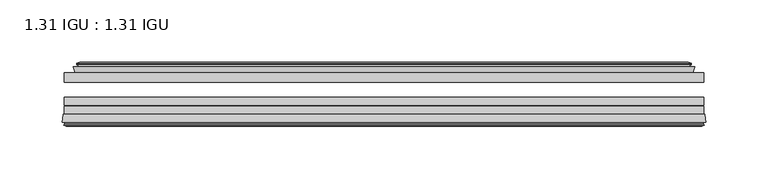
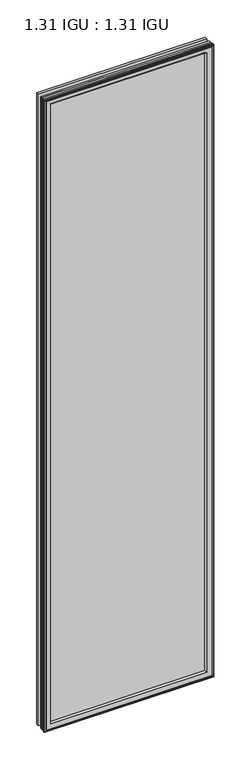
"""IFC4 building model written with IfcOpenShell, lengths in millimetres: plate geometry, 1.31 IGU : 1.31 IGU."""

from ifc_helpers import new_model, si_unit, frame, origin, place, context, project, spatial, polyline, ellipse_curve, outline, extrude, faceted_brep, source, transform, mapped, element, save
from ifc_brep_helpers import plane_surface, revolved_surface, advanced_brep


def plate_1_31_igu_1_31_igu_a7f91fe2(model_context):
    return source(origin(), model_context, "Body", "SolidModel", [
        extrude(outline(polyline([(256.3471354, -17.9712937), (256.3471354, -25.8960937), (-256.3471354, -25.8960937), (-256.3471354, -17.9712937), (256.3471354, -17.9712937)])), frame((0.0, 0.0, -19.05), z_axis=(0.0, 0.0, 1.0), x_axis=(1.0, 0.0, 0.0)), (0.0, 0.0, 1.0), 2032.0),
        extrude(outline(polyline([(-256.3471354, -51.2960937), (-256.3471354, -44.9460937), (256.3471354, -44.9460937), (256.3471354, -51.2960937), (-256.3471354, -51.2960937)])), frame((0.0, 0.0, -19.05), z_axis=(0.0, 0.0, 1.0), x_axis=(1.0, 0.0, 0.0)), (0.0, 0.0, 1.0), 2032.0),
        extrude(outline(polyline([(-256.3471354, -44.1586938), (-256.3471354, -37.8086938), (256.3471354, -37.8086938), (256.3471354, -44.1586938), (-256.3471354, -44.1586938)])), frame((0.0, 0.0, -19.05), z_axis=(0.0, 0.0, 1.0), x_axis=(1.0, 0.0, 0.0)), (0.0, 0.0, 1.0), 2032.0),
        faceted_brep([(-247.4285358, -17.9712937, 2004.0314005), (-249.0727691, -13.1960937, 2005.6756337), (-249.0727691, -13.1960937, -11.7756337), (-247.4285358, -17.9712937, -10.1314005), (-237.8178354, -13.1960937, 1994.4207), (-236.6484048, -17.9712937, 1993.2512695), (-236.6484048, -17.9712937, 0.6487305), (-237.8178354, -13.1960937, -0.5207), (-243.3825556, -10.902778, 1999.9854203), (-242.7680635, -13.1960937, 1999.3709281), (-242.7680635, -13.1960937, -5.4709281), (-243.3825556, -10.902778, -6.0854203), (-241.9903063, -11.27583, 1998.5931709), (-241.9903063, -11.27583, -4.6931709), (-241.758989, -10.4125422, 1998.3618537), (-241.758989, -10.4125422, -4.4618537), (-244.1678354, -9.7670937, 2000.7707), (-244.1678354, -9.7670937, -6.8707), (-246.5766817, -10.4125422, 2003.1795463), (-246.5766817, -10.4125422, -9.2795463), (-246.3453644, -11.27583, 2002.9482291), (-246.3453644, -11.27583, -9.0482291), (-244.9585368, -10.9042307, 2001.5614014), (-244.9585368, -10.9042307, -7.6614014), (-245.7032082, -13.1960937, 2002.3060729), (-245.7032082, -13.1960937, -8.4060729), (249.0727691, -13.1960937, -11.7756337), (247.4285358, -17.9712937, -10.1314005), (236.6484048, -17.9712937, 0.6487305), (237.8178354, -13.1960937, -0.5207), (242.7680635, -13.1960937, -5.4709281), (243.3825556, -10.902778, -6.0854203), (241.9903063, -11.27583, -4.6931709), (241.758989, -10.4125422, -4.4618537), (244.1678354, -9.7670937, -6.8707), (246.5766817, -10.4125422, -9.2795463), (246.3453644, -11.27583, -9.0482291), (244.9585368, -10.9042307, -7.6614014), (245.7032082, -13.1960937, -8.4060729), (249.0727691, -13.1960937, 2005.6756337), (247.4285358, -17.9712937, 2004.0314005), (236.6484048, -17.9712937, 1993.2512695), (237.8178354, -13.1960937, 1994.4207), (242.7680635, -13.1960937, 1999.3709281), (243.3825556, -10.902778, 1999.9854203), (241.9903063, -11.27583, 1998.5931709), (241.758989, -10.4125422, 1998.3618537), (244.1678354, -9.7670937, 2000.7707), (246.5766817, -10.4125422, 2003.1795463), (246.3453644, -11.27583, 2002.9482291), (244.9585368, -10.9042307, 2001.5614014), (245.7032082, -13.1960937, 2002.3060729)], [[[0, 1, 2, 3]], [[4, 5, 6, 7]], [[8, 9, 10, 11]], [[12, 8, 11, 13]], [[14, 12, 13, 15]], [[16, 14, 15, 17]], [[18, 16, 17, 19]], [[20, 18, 19, 21]], [[22, 20, 21, 23]], [[24, 22, 23, 25]], [[3, 2, 26, 27]], [[7, 6, 28, 29]], [[11, 10, 30, 31]], [[13, 11, 31, 32]], [[15, 13, 32, 33]], [[17, 15, 33, 34]], [[19, 17, 34, 35]], [[21, 19, 35, 36]], [[23, 21, 36, 37]], [[25, 23, 37, 38]], [[27, 26, 39, 40]], [[29, 28, 41, 42]], [[31, 30, 43, 44]], [[32, 31, 44, 45]], [[33, 32, 45, 46]], [[34, 33, 46, 47]], [[35, 34, 47, 48]], [[36, 35, 48, 49]], [[37, 36, 49, 50]], [[38, 37, 50, 51]], [[40, 39, 1, 0]], [[3, 27, 40, 0], [5, 41, 28, 6]], [[42, 41, 5, 4]], [[9, 43, 30, 10], [7, 29, 42, 4]], [[44, 43, 9, 8]], [[45, 44, 8, 12]], [[46, 45, 12, 14]], [[47, 46, 14, 16]], [[48, 47, 16, 18]], [[49, 48, 18, 20]], [[50, 49, 20, 22]], [[51, 50, 22, 24]], [[1, 39, 26, 2], [25, 38, 51, 24]]]),
        advanced_brep(
        [(-233.6598204, -51.2960937, 1990.2626851), (-237.2971354, -57.6460937, 1993.9), (-237.2971354, -57.6460937, 0.0), (-233.6598204, -51.2960937, 3.6373149), (-257.9429137, -57.6460937, 2014.5457783), (-257.1632317, -51.2960937, 2013.7660964), (-257.1632317, -51.2960937, -19.8660964), (-257.9429137, -57.6460937, -20.6457783), (-255.5429098, -59.6558685, 2012.1457744), (-256.0019366, -57.6460937, 2012.6048013), (-256.0019366, -57.6460937, -18.7048013), (-255.5429098, -59.6558685, -18.2457744), (-256.5265941, -59.3738016, 2013.1294588), (-256.5265941, -59.3738016, -19.2294588), (-256.7800786, -60.2578071, 2013.3829433), (-256.7800786, -60.2578071, -19.4829433), (-254.7571351, -60.8378768, 2011.3599998), (-254.7571351, -60.8378768, -17.4599998), (-252.7134743, -60.2902795, 2009.3163389), (-252.7134743, -60.2902795, -15.4163389), (-252.9583436, -59.3764147, 2009.5612083), (-252.9583436, -59.3764147, -15.6612083), (-253.9809774, -59.6504286, 2010.5838421), (-253.9809774, -59.6504286, -16.6838421), (-253.5182403, -57.6460937, 2010.1211049), (-253.5182403, -57.6460937, -16.2211049), (237.2971354, -57.6460938, 0.0), (233.6598204, -51.2960937, 3.6373149), (257.1632317, -51.2960937, -19.8660964), (257.9429137, -57.6460938, -20.6457783), (256.0019366, -57.6460938, -18.7048013), (255.5429098, -59.6558685, -18.2457744), (256.5265941, -59.3738016, -19.2294588), (256.7800786, -60.2578071, -19.4829433), (254.7571351, -60.8378768, -17.4599998), (252.7134743, -60.2902795, -15.4163389), (252.9583436, -59.3764147, -15.6612083), (253.9809774, -59.6504286, -16.6838421), (253.5182403, -57.6460938, -16.2211049), (237.2971354, -57.6460938, 1993.9), (233.6598204, -51.2960937, 1990.2626851), (257.1632317, -51.2960937, 2013.7660964), (257.9429137, -57.6460938, 2014.5457783), (256.0019366, -57.6460938, 2012.6048013), (255.5429098, -59.6558685, 2012.1457744), (256.5265941, -59.3738016, 2013.1294588), (256.7800786, -60.2578071, 2013.3829433), (254.7571351, -60.8378768, 2011.3599998), (252.7134743, -60.2902795, 2009.3163389), (252.9583436, -59.3764147, 2009.5612083), (253.9809774, -59.6504286, 2010.5838421), (253.5182403, -57.6460938, 2010.1211049)],
        [
            (0, 1, ellipse_curve(frame((-228.8661903, -58.2586484, 1985.469055), z_axis=(0.7071067811865475, 0.0, 0.7071067811865475), x_axis=(0.7071067811865474, 0.0, -0.7071067811865476)), 11.9545855, 8.4531685)),
            (1, 2),
            (2, 3, ellipse_curve(frame((-228.8661903, -58.2586484, 8.430945), z_axis=(0.7071067811865475, 0.0, -0.7071067811865475), x_axis=(-0.7071067811865474, 0.0, -0.7071067811865476)), 11.9545855, 8.4531685)),
            (3, 0),
            (4, 5),
            (5, 6),
            (6, 7),
            (7, 4),
            (8, 9),
            (9, 10),
            (10, 11),
            (11, 8),
            (12, 8),
            (11, 13),
            (13, 12),
            (14, 12),
            (13, 15),
            (15, 14),
            (16, 14),
            (15, 17),
            (17, 16),
            (18, 16),
            (17, 19),
            (19, 18),
            (20, 18),
            (19, 21),
            (21, 20),
            (22, 20),
            (21, 23),
            (23, 22),
            (24, 22),
            (23, 25),
            (25, 24),
            (2, 26),
            (26, 27, ellipse_curve(frame((228.8661903, -58.2586484, 8.430945), z_axis=(0.7071067811865475, 0.0, 0.7071067811865475), x_axis=(0.7071067811865476, 0.0, -0.7071067811865474)), 11.9545855, 8.4531685)),
            (27, 3),
            (6, 28),
            (28, 29),
            (29, 7),
            (10, 30),
            (30, 31),
            (31, 11),
            (31, 32),
            (32, 13),
            (32, 33),
            (33, 15),
            (33, 34),
            (34, 17),
            (34, 35),
            (35, 19),
            (35, 36),
            (36, 21),
            (36, 37),
            (37, 23),
            (37, 38),
            (38, 25),
            (26, 39),
            (39, 40, ellipse_curve(frame((228.8661903, -58.2586484, 1985.469055), z_axis=(-0.7071067811865475, 0.0, 0.7071067811865475), x_axis=(0.7071067811865474, 0.0, 0.7071067811865476)), 11.9545855, 8.4531685)),
            (40, 27),
            (28, 41),
            (41, 42),
            (42, 29),
            (30, 43),
            (43, 44),
            (44, 31),
            (44, 45),
            (45, 32),
            (45, 46),
            (46, 33),
            (46, 47),
            (47, 34),
            (47, 48),
            (48, 35),
            (48, 49),
            (49, 36),
            (49, 50),
            (50, 37),
            (50, 51),
            (51, 38),
            (51, 24),
            (1, 39),
            (0, 40),
            (5, 41),
            (4, 42),
            (9, 43),
            (8, 44),
            (12, 45),
            (14, 46),
            (16, 47),
            (18, 48),
            (20, 49),
            (22, 50),
        ],
        [
            revolved_surface(polyline([(-237.3193588, -58.2586484, -0.02222347332440222), (-237.3193588, -58.2586484, 1993.9222234733245)]), (-228.8661903, -58.2586484, 2025.65), (0.0, 0.0, -1.0)),
            plane_surface(frame((-257.1632317, -51.2960937, 2013.7660964), z_axis=(-0.9925461516413234, 0.12186934340513637, 0.0), x_axis=(0.0, 0.0, -1.0))),
            plane_surface(frame((-256.0019366, -57.6460937, 2012.6048013), z_axis=(-0.9748953990049445, -0.22266333555165796, 0.0), x_axis=(0.0, 0.0, -1.0))),
            plane_surface(frame((-255.5429098, -59.6558685, 2012.1457744), z_axis=(0.27563735581726606, 0.9612616959382424, 0.0), x_axis=(0.0, 0.0, -1.0))),
            plane_surface(frame((-256.5265941, -59.3738016, 2013.1294588), z_axis=(-0.9612616959382463, 0.2756373558172523, 0.0), x_axis=(0.0, 0.0, -1.0))),
            plane_surface(frame((-256.7800786, -60.2578071, 2013.3829433), z_axis=(-0.2756373558170135, -0.9612616959383148, 0.0), x_axis=(0.0, 0.0, -1.0))),
            plane_surface(frame((-254.7571351, -60.8378768, 2011.3599998), z_axis=(0.25881904510226056, -0.965925826289138, 0.0), x_axis=(0.0, 0.0, -1.0))),
            plane_surface(frame((-252.7134743, -60.2902795, 2009.3163389), z_axis=(0.9659258262891444, 0.25881904510223736, 0.0), x_axis=(0.0, 0.0, -1.0))),
            plane_surface(frame((-252.9583436, -59.3764147, 2009.5612083), z_axis=(-0.2588190451025015, 0.9659258262890735, 0.0), x_axis=(0.0, 0.0, -1.0))),
            plane_surface(frame((-253.9809774, -59.6504286, 2010.5838421), z_axis=(0.9743700647852117, -0.22495105434396695, 0.0), x_axis=(0.0, 0.0, -1.0))),
            revolved_surface(polyline([(237.31935877332432, -58.2586484, -0.02222350000000084), (-237.31935877332438, -58.2586484, -0.02222350000000084)]), (-269.0471354, -58.2586484, 8.430945), (1.0, 0.0, 0.0)),
            plane_surface(frame((-257.1632317, -51.2960937, -19.8660964), z_axis=(0.0, 0.12186934340513315, -0.9925461516413239), x_axis=(1.0, 0.0, 0.0))),
            plane_surface(frame((-256.0019366, -57.6460937, -18.7048013), z_axis=(0.0, -0.22266333555166112, -0.9748953990049438), x_axis=(1.0, 0.0, 0.0))),
            plane_surface(frame((-255.5429098, -59.6558685, -18.2457744), z_axis=(0.0, 0.9612616959382433, 0.27563735581726295), x_axis=(1.0, 0.0, 0.0))),
            plane_surface(frame((-256.5265941, -59.3738016, -19.2294588), z_axis=(0.0, 0.2756373558172492, -0.9612616959382472), x_axis=(1.0, 0.0, 0.0))),
            plane_surface(frame((-256.7800786, -60.2578071, -19.4829433), z_axis=(0.0, -0.9612616959383157, -0.2756373558170104), x_axis=(1.0, 0.0, 0.0))),
            plane_surface(frame((-254.7571351, -60.8378768, -17.4599998), z_axis=(0.0, -0.9659258262891373, 0.2588190451022637), x_axis=(1.0, 0.0, 0.0))),
            plane_surface(frame((-252.7134743, -60.2902795, -15.4163389), z_axis=(0.0, 0.25881904510224046, 0.9659258262891435), x_axis=(1.0, 0.0, 0.0))),
            plane_surface(frame((-252.9583436, -59.3764147, -15.6612083), z_axis=(0.0, 0.9659258262890726, -0.2588190451025046), x_axis=(1.0, 0.0, 0.0))),
            plane_surface(frame((-253.9809774, -59.6504286, -16.6838421), z_axis=(0.0, -0.22495105434396379, 0.9743700647852125), x_axis=(1.0, 0.0, 0.0))),
            revolved_surface(polyline([(237.3193588, -58.2586484, 1993.9222234733245), (237.3193588, -58.2586484, -0.022223473324370246)]), (228.8661903, -58.2586484, -31.75), (0.0, 0.0, 1.0)),
            plane_surface(frame((257.1632317, -51.2960937, -19.8660964), z_axis=(0.9925461516413243, 0.12186934340512993, 0.0), x_axis=(0.0, 0.0, 1.0))),
            plane_surface(frame((256.0019366, -57.6460938, -18.7048013), z_axis=(0.9748953990049432, -0.2226633355516643, 0.0), x_axis=(0.0, 0.0, 1.0))),
            plane_surface(frame((255.5429098, -59.6558685, -18.2457744), z_axis=(-0.27563735581725984, 0.9612616959382442, 0.0), x_axis=(0.0, 0.0, 1.0))),
            plane_surface(frame((256.5265941, -59.3738016, -19.2294588), z_axis=(0.9612616959382481, 0.2756373558172461, 0.0), x_axis=(0.0, 0.0, 1.0))),
            plane_surface(frame((256.7800786, -60.2578071, -19.4829433), z_axis=(0.27563735581700727, -0.9612616959383166, 0.0), x_axis=(0.0, 0.0, 1.0))),
            plane_surface(frame((254.7571351, -60.8378768, -17.4599998), z_axis=(-0.25881904510226683, -0.9659258262891364, 0.0), x_axis=(0.0, 0.0, 1.0))),
            plane_surface(frame((252.7134743, -60.2902795, -15.4163389), z_axis=(-0.9659258262891426, 0.2588190451022436, 0.0), x_axis=(0.0, 0.0, 1.0))),
            plane_surface(frame((252.9583436, -59.3764147, -15.6612083), z_axis=(0.2588190451025077, 0.9659258262890718, 0.0), x_axis=(0.0, 0.0, 1.0))),
            plane_surface(frame((253.9809774, -59.6504286, -16.6838421), z_axis=(-0.9743700647852133, -0.22495105434396062, 0.0), x_axis=(0.0, 0.0, 1.0))),
            plane_surface(frame((253.5182403, -57.6460938, 2010.1211049), z_axis=(0.0, -1.0, 0.0), x_axis=(-1.0, 0.0, 0.0))),
            revolved_surface(polyline([(-237.31935877332432, -58.2586484, 1993.9222235), (237.31935877332438, -58.2586484, 1993.9222235)]), (269.0471354, -58.2586484, 1985.469055), (-1.0, 0.0, 0.0)),
            plane_surface(frame((233.6598204, -51.2960937, 1990.2626851), z_axis=(0.0, 1.0, 0.0), x_axis=(-1.0, 0.0, 0.0))),
            plane_surface(frame((257.1632317, -51.2960937, 2013.7660964), z_axis=(0.0, 0.12186934340513315, 0.9925461516413239), x_axis=(-1.0, 0.0, 0.0))),
            plane_surface(frame((257.9429137, -57.6460938, 2014.5457783), z_axis=(0.0, -1.0, 0.0), x_axis=(-1.0, 0.0, 0.0))),
            plane_surface(frame((256.0019366, -57.6460938, 2012.6048013), z_axis=(0.0, -0.22266333555166112, 0.9748953990049438), x_axis=(-1.0, 0.0, 0.0))),
            plane_surface(frame((255.5429098, -59.6558685, 2012.1457744), z_axis=(0.0, 0.9612616959382433, -0.27563735581726295), x_axis=(-1.0, 0.0, 0.0))),
            plane_surface(frame((256.5265941, -59.3738016, 2013.1294588), z_axis=(0.0, 0.2756373558172492, 0.9612616959382472), x_axis=(-1.0, 0.0, 0.0))),
            plane_surface(frame((256.7800786, -60.2578071, 2013.3829433), z_axis=(0.0, -0.9612616959383157, 0.2756373558170104), x_axis=(-1.0, 0.0, 0.0))),
            plane_surface(frame((254.7571351, -60.8378768, 2011.3599998), z_axis=(0.0, -0.9659258262891373, -0.2588190451022637), x_axis=(-1.0, 0.0, 0.0))),
            plane_surface(frame((252.7134743, -60.2902795, 2009.3163389), z_axis=(0.0, 0.25881904510224046, -0.9659258262891435), x_axis=(-1.0, 0.0, 0.0))),
            plane_surface(frame((252.9583436, -59.3764147, 2009.5612083), z_axis=(0.0, 0.9659258262890726, 0.2588190451025046), x_axis=(-1.0, 0.0, 0.0))),
            plane_surface(frame((253.9809774, -59.6504286, 2010.5838421), z_axis=(0.0, -0.22495105434396379, -0.9743700647852125), x_axis=(-1.0, 0.0, 0.0))),
        ],
        [
            (0, [[1, 2, 3, 4]]),
            (1, [[5, 6, 7, 8]]),
            (2, [[9, 10, 11, 12]]),
            (3, [[13, -12, 14, 15]]),
            (4, [[16, -15, 17, 18]]),
            (5, [[19, -18, 20, 21]]),
            (6, [[22, -21, 23, 24]]),
            (7, [[25, -24, 26, 27]]),
            (8, [[28, -27, 29, 30]]),
            (9, [[31, -30, 32, 33]]),
            (10, [[-3, 34, 35, 36]]),
            (11, [[-7, 37, 38, 39]]),
            (12, [[-11, 40, 41, 42]]),
            (13, [[-14, -42, 43, 44]]),
            (14, [[-17, -44, 45, 46]]),
            (15, [[-20, -46, 47, 48]]),
            (16, [[-23, -48, 49, 50]]),
            (17, [[-26, -50, 51, 52]]),
            (18, [[-29, -52, 53, 54]]),
            (19, [[-32, -54, 55, 56]]),
            (20, [[-35, 57, 58, 59]]),
            (21, [[-38, 60, 61, 62]]),
            (22, [[-41, 63, 64, 65]]),
            (23, [[-43, -65, 66, 67]]),
            (24, [[-45, -67, 68, 69]]),
            (25, [[-47, -69, 70, 71]]),
            (26, [[-49, -71, 72, 73]]),
            (27, [[-51, -73, 74, 75]]),
            (28, [[-53, -75, 76, 77]]),
            (29, [[-55, -77, 78, 79]]),
            (30, [[-56, -79, 80, -33], [81, -57, -34, -2]]),
            (31, [[-58, -81, -1, 82]]),
            (32, [[83, -60, -37, -6], [-36, -59, -82, -4]]),
            (33, [[-61, -83, -5, 84]]),
            (34, [[-39, -62, -84, -8], [85, -63, -40, -10]]),
            (35, [[-64, -85, -9, 86]]),
            (36, [[-66, -86, -13, 87]]),
            (37, [[-68, -87, -16, 88]]),
            (38, [[-70, -88, -19, 89]]),
            (39, [[-72, -89, -22, 90]]),
            (40, [[-74, -90, -25, 91]]),
            (41, [[-76, -91, -28, 92]]),
            (42, [[-78, -92, -31, -80]]),
        ],
    ),
    ])


if __name__ == "__main__":
    model = new_model("IFC4")
    model_context = context("Model", 3, world=origin())
    ifc_project = project(units=[si_unit("LENGTHUNIT", "METRE", prefix="MILLI")], contexts=[model_context])
    site = spatial("IfcSite", under=ifc_project)
    building = spatial("IfcBuilding", under=site)
    placement = place(None, origin())
    plate_1_31_igu_1_31_igu_shape = plate_1_31_igu_1_31_igu_a7f91fe2(model_context)
    element("IfcPlate", 1, ObjectType="1.31 IGU : 1.31 IGU", at=placement, inside=building, context=model_context, shape_type="MappedRepresentation", body=[
        mapped(plate_1_31_igu_1_31_igu_shape, transform((0.0, 0.0, 0.0), x_axis=(1.0, 0.0, 0.0), y_axis=(0.0, 1.0, 0.0), z_axis=(0.0, 0.0, 1.0))),
    ])
    save(model, "model.ifc")
